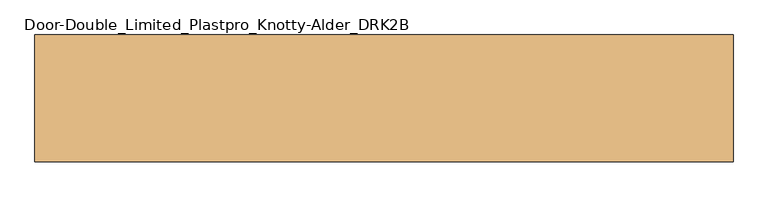
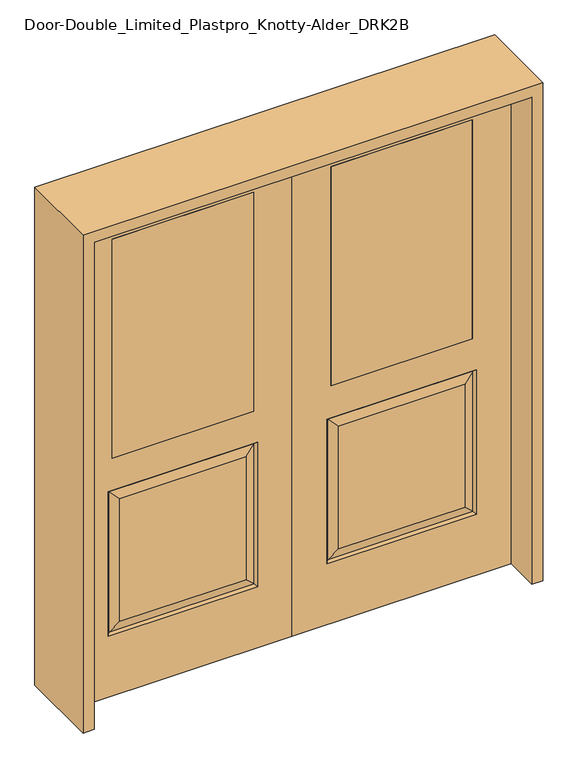
"""IFC4 building model written with IfcOpenShell, lengths in millimetres: door geometry, Door-Double_Limited_Plastpro_Knotty-Alder_DRK2B."""

from ifc_helpers import new_model, si_unit, frame, origin, place, context, project, spatial, polyline, outline, extrude, faceted_brep, source, transform, mapped, element, save


def door_double_limited_plastpro_knotty_alder_drk2b_19b51cbb(model_context):
    return source(origin(), model_context, "Body", "SolidModel", [
        extrude(outline(polyline([(152.4, -22.225), (152.4, 22.225), (711.2, 22.225), (711.2, -22.225), (152.4, -22.225)])), frame((0.0, 0.0, 990.6), z_axis=(0.0, 0.0, 1.0), x_axis=(1.0, 0.0, 0.0)), (0.0, 0.0, 1.0), 914.4),
        faceted_brep([(0.0, 22.225, 0.0), (863.6, 22.225, 0.0), (863.6, -22.225, 0.0), (0.0, -22.225, 0.0), (0.0, 22.225, 2032.0), (0.0, -22.225, 2032.0), (863.6, -22.225, 2032.0), (136.525, -22.225, 254.0), (136.525, -22.225, 857.25), (727.075, -22.225, 857.25), (727.075, -22.225, 254.0), (711.2, -22.225, 1905.0), (711.2, -22.225, 990.6), (152.4, -22.225, 990.6), (152.4, -22.225, 1905.0), (681.0375, -22.225, 300.0375), (681.0375, -22.225, 811.2125), (182.5625, -22.225, 811.2125), (182.5625, -22.225, 300.0375), (863.6, 22.225, 2032.0), (136.525, 22.225, 857.25), (136.525, 22.225, 254.0), (727.075, 22.225, 254.0), (727.075, 22.225, 857.25), (152.4, 22.225, 1905.0), (152.4, 22.225, 990.6), (711.2, 22.225, 990.6), (711.2, 22.225, 1905.0), (681.0375, 22.225, 811.2125), (681.0375, 22.225, 300.0375), (182.5625, 22.225, 300.0375), (182.5625, 22.225, 811.2125), (145.5052561, 13.2447439, 848.2697439), (718.0947439, 13.2447439, 848.2697439), (718.0947439, 13.2447439, 262.9802561), (145.5052561, 13.2447439, 262.9802561), (145.5052561, -13.2447439, 262.9802561), (718.0947439, -13.2447439, 262.9802561), (718.0947439, -13.2447439, 848.2697439), (145.5052561, -13.2447439, 848.2697439)], [[[0, 1, 2, 3]], [[4, 0, 3, 5]], [[5, 3, 2, 6], [7, 8, 9, 10], [11, 12, 13, 14]], [[15, 16, 17, 18]], [[6, 2, 1, 19]], [[19, 1, 0, 4], [20, 21, 22, 23], [24, 25, 26, 27]], [[28, 29, 30, 31]], [[32, 20, 23, 33]], [[23, 22, 34, 33]], [[22, 21, 35, 34]], [[32, 35, 21, 20]], [[33, 28, 31, 32]], [[31, 30, 35, 32]], [[34, 35, 30, 29]], [[33, 34, 29, 28]], [[27, 26, 12, 11]], [[26, 25, 13, 12]], [[14, 13, 25, 24]], [[36, 7, 10, 37]], [[10, 9, 38, 37]], [[9, 8, 39, 38]], [[36, 39, 8, 7]], [[37, 15, 18, 36]], [[18, 17, 39, 36]], [[38, 39, 17, 16]], [[37, 38, 16, 15]], [[4, 5, 6, 19]], [[11, 14, 24, 27]]]),
        extrude(outline(polyline([(-152.4, -22.225), (-711.2, -22.225), (-711.2, 22.225), (-152.4, 22.225), (-152.4, -22.225)])), frame((0.0, 0.0, 990.6), z_axis=(0.0, 0.0, 1.0), x_axis=(1.0, 0.0, 0.0)), (0.0, 0.0, 1.0), 914.4),
        faceted_brep([(0.0, 22.225, 0.0), (0.0, -22.225, 0.0), (-863.6, -22.225, 0.0), (-863.6, 22.225, 0.0), (0.0, 22.225, 2032.0), (0.0, -22.225, 2032.0), (-681.0375, -22.225, 300.0375), (-182.5625, -22.225, 300.0375), (-182.5625, -22.225, 811.2125), (-681.0375, -22.225, 811.2125), (-863.6, -22.225, 2032.0), (-136.525, -22.225, 254.0), (-727.075, -22.225, 254.0), (-727.075, -22.225, 857.25), (-136.525, -22.225, 857.25), (-711.2, -22.225, 1905.0), (-152.4, -22.225, 1905.0), (-152.4, -22.225, 990.6), (-711.2, -22.225, 990.6), (-863.6, 22.225, 2032.0), (-681.0375, 22.225, 811.2125), (-182.5625, 22.225, 811.2125), (-182.5625, 22.225, 300.0375), (-681.0375, 22.225, 300.0375), (-136.525, 22.225, 857.25), (-727.075, 22.225, 857.25), (-727.075, 22.225, 254.0), (-136.525, 22.225, 254.0), (-152.4, 22.225, 1905.0), (-711.2, 22.225, 1905.0), (-711.2, 22.225, 990.6), (-152.4, 22.225, 990.6), (-145.5052561, 13.2447439, 848.2697439), (-718.0947439, 13.2447439, 848.2697439), (-718.0947439, 13.2447439, 262.9802561), (-145.5052561, 13.2447439, 262.9802561), (-145.5052561, -13.2447439, 262.9802561), (-718.0947439, -13.2447439, 262.9802561), (-718.0947439, -13.2447439, 848.2697439), (-145.5052561, -13.2447439, 848.2697439)], [[[0, 1, 2, 3]], [[4, 5, 1, 0]], [[6, 7, 8, 9]], [[5, 10, 2, 1], [11, 12, 13, 14], [15, 16, 17, 18]], [[10, 19, 3, 2]], [[20, 21, 22, 23]], [[19, 4, 0, 3], [24, 25, 26, 27], [28, 29, 30, 31]], [[32, 33, 25, 24]], [[25, 33, 34, 26]], [[26, 34, 35, 27]], [[32, 24, 27, 35]], [[33, 32, 21, 20]], [[21, 32, 35, 22]], [[34, 23, 22, 35]], [[33, 20, 23, 34]], [[29, 15, 18, 30]], [[30, 18, 17, 31]], [[16, 28, 31, 17]], [[36, 37, 12, 11]], [[12, 37, 38, 13]], [[13, 38, 39, 14]], [[36, 11, 14, 39]], [[37, 36, 7, 6]], [[7, 36, 39, 8]], [[38, 9, 8, 39]], [[37, 6, 9, 38]], [[4, 19, 10, 5]], [[15, 29, 28, 16]]]),
        extrude(outline(polyline([(2076.45, -908.05), (0.0, -908.05), (0.0, -863.6), (2032.0, -863.6), (2032.0, 863.6), (0.0, 863.6), (0.0, 908.05), (2076.45, 908.05), (2076.45, -908.05)])), frame((0.0, -165.1, 0.0), z_axis=(0.0, 1.0, 0.0), x_axis=(0.0, 0.0, 1.0)), (0.0, 0.0, 1.0), 330.2),
    ])


if __name__ == "__main__":
    model = new_model("IFC4")
    model_context = context("Model", 3, world=origin())
    ifc_project = project(units=[si_unit("LENGTHUNIT", "METRE", prefix="MILLI")], contexts=[model_context])
    site = spatial("IfcSite", under=ifc_project)
    building = spatial("IfcBuilding", under=site)
    placement = place(None, origin())
    door_double_limited_plastpro_knotty_alder_drk2b_shape = door_double_limited_plastpro_knotty_alder_drk2b_19b51cbb(model_context)
    element("IfcDoor", 1, ObjectType="Door-Double_Limited_Plastpro_Knotty-Alder_DRK2B", at=placement, inside=building, context=model_context, shape_type="MappedRepresentation", body=[
        mapped(door_double_limited_plastpro_knotty_alder_drk2b_shape, transform((0.0, 0.0, 0.0), x_axis=(1.0, 0.0, 0.0), y_axis=(0.0, 1.0, 0.0), z_axis=(0.0, 0.0, 1.0))),
    ])
    save(model, "model.ifc")
